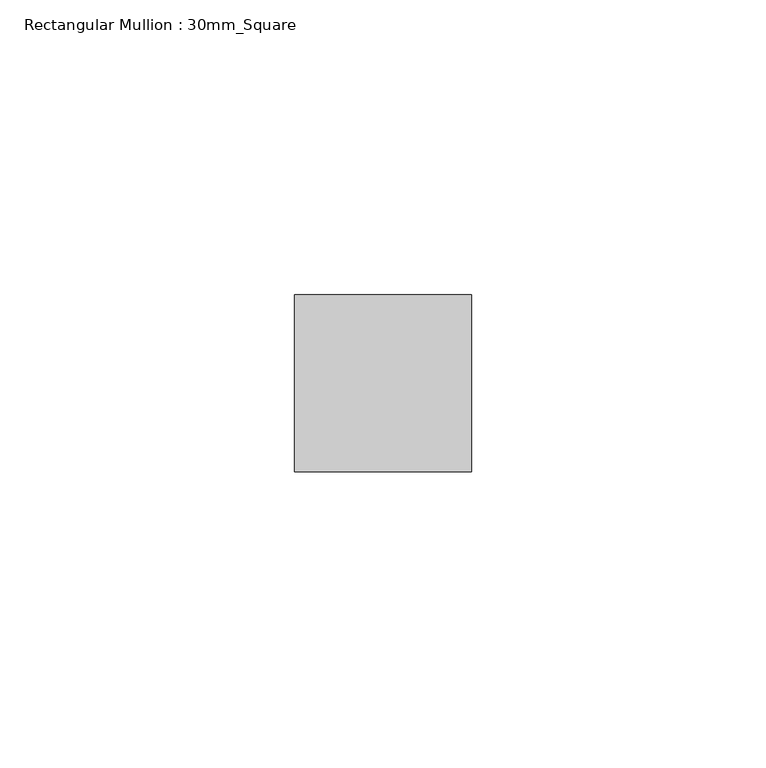
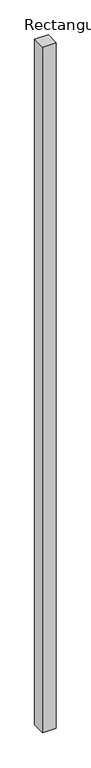
"""IFC4 building model written with IfcOpenShell, lengths in millimetres: member geometry, Rectangular Mullion : 30mm_Square."""

from ifc_helpers import new_model, si_unit, frame, origin, place, context, project, spatial, polyline, outline, extrude, source, transform, mapped, element, save


def rectangular_mullion_30mm_square_ded72f51(model_context):
    return source(origin(), model_context, "Body", "SweptSolid", [
        extrude(outline(polyline([(15.0, 15.0), (15.0, -15.0), (-15.0, -15.0), (-15.0, 15.0), (15.0, 15.0)])), frame((0.0, 0.0, -1600.0), z_axis=(0.0, 0.0, 1.0), x_axis=(1.0, 0.0, 0.0)), (0.0, 0.0, 1.0), 1600.0),
    ])


if __name__ == "__main__":
    model = new_model("IFC4")
    model_context = context("Model", 3, world=origin())
    ifc_project = project(units=[si_unit("LENGTHUNIT", "METRE", prefix="MILLI")], contexts=[model_context])
    site = spatial("IfcSite", under=ifc_project)
    building = spatial("IfcBuilding", under=site)
    placement = place(None, origin())
    rectangular_mullion_30mm_square_shape = rectangular_mullion_30mm_square_ded72f51(model_context)
    element("IfcMember", 1, ObjectType="Rectangular Mullion : 30mm_Square", at=placement, inside=building, context=model_context, shape_type="MappedRepresentation", body=[
        mapped(rectangular_mullion_30mm_square_shape, transform((0.0, 0.0, 0.0), x_axis=(1.0, 0.0, 0.0), y_axis=(0.0, 1.0, 0.0), z_axis=(0.0, 0.0, 1.0))),
    ])
    save(model, "model.ifc")
